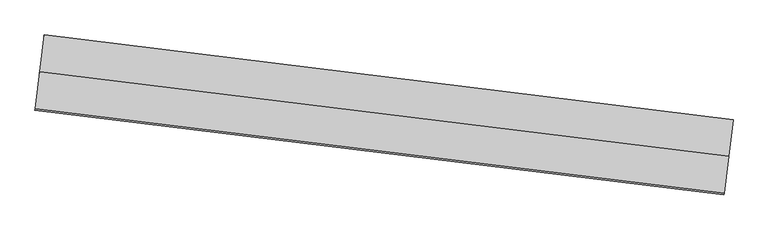
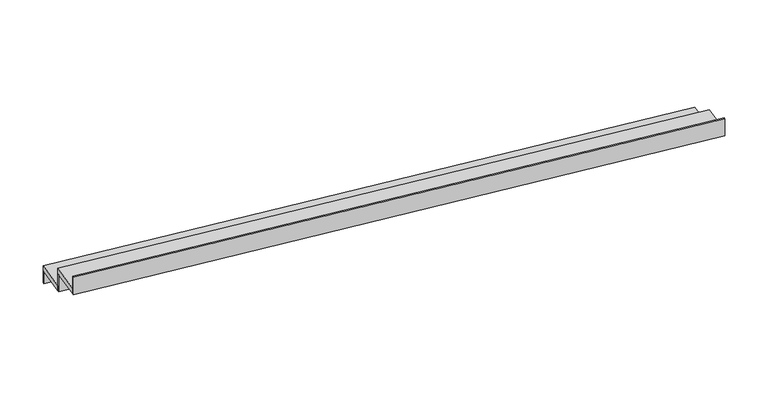
"""IFC4 building model written with IfcOpenShell, lengths in millimetres: stair flight geometry."""

from ifc_helpers import new_model, si_unit, frame, origin, place, context, project, spatial, polyline, outline, extrude, source, transform, mapped, element, save


def stair_flight_1fe82610(model_context):
    return source(origin(), model_context, "Body", "SweptSolid", [
        extrude(outline(polyline([(-17745.1253029, 37184.3500424), (-17743.6019361, 37196.7568693), (-12183.5715384, 36514.0709783), (-12185.0949052, 36501.6641514), (-17745.1253029, 37184.3500424)])), frame((0.0, 0.0, 3000.0), z_axis=(0.0, 0.0, 1.0), x_axis=(1.0, 0.0, 0.0)), (0.0, 0.0, 1.0), 116.6666667),
        extrude(outline(polyline([(-12220.1323414, 36216.3071328), (-17780.1627391, 36898.9930238), (-17743.6019361, 37196.7568693), (-12183.5715384, 36514.0709783), (-12220.1323414, 36216.3071328)])), frame((0.0, 0.0, 3116.6666667), z_axis=(0.0, 0.0, 1.0), x_axis=(1.0, 0.0, 0.0)), (0.0, 0.0, 1.0), 50.0),
        extrude(outline(polyline([(-17781.6861059, 36886.5861969), (-17780.1627391, 36898.9930238), (-12220.1323414, 36216.3071328), (-12221.6557082, 36203.9003059), (-17781.6861059, 36886.5861969)])), frame((0.0, 0.0, 3116.6666667), z_axis=(0.0, 0.0, 1.0), x_axis=(1.0, 0.0, 0.0)), (0.0, 0.0, 1.0), 166.6666667),
        extrude(outline(polyline([(-17818.246909, 36588.8223514), (-17816.7235422, 36601.2291783), (-12256.6931444, 35918.5432873), (-12258.2165112, 35906.1364604), (-17818.246909, 36588.8223514)])), frame((0.0, 0.0, 3283.3333333), z_axis=(0.0, 0.0, 1.0), x_axis=(1.0, 0.0, 0.0)), (0.0, 0.0, 1.0), 166.6666667),
        extrude(outline(polyline([(-12256.6931444, 35918.5432873), (-17816.7235422, 36601.2291783), (-17780.1627391, 36898.9930238), (-12220.1323414, 36216.3071328), (-12256.6931444, 35918.5432873)])), frame((0.0, 0.0, 3283.3333333), z_axis=(0.0, 0.0, 1.0), x_axis=(1.0, 0.0, 0.0)), (0.0, 0.0, 1.0), 50.0),
    ])


if __name__ == "__main__":
    model = new_model("IFC4")
    model_context = context("Model", 3, world=origin())
    ifc_project = project(units=[si_unit("LENGTHUNIT", "METRE", prefix="MILLI")], contexts=[model_context])
    site = spatial("IfcSite", under=ifc_project)
    building = spatial("IfcBuilding", under=site)
    placement = place(None, origin())
    stair_flight_shape = stair_flight_1fe82610(model_context)
    element("IfcStairFlight", 1, at=placement, inside=building, context=model_context, shape_type="MappedRepresentation", body=[
        mapped(stair_flight_shape, transform((0.0, 0.0, 0.0), x_axis=(1.0, 0.0, 0.0), y_axis=(0.0, 1.0, 0.0), z_axis=(0.0, 0.0, 1.0))),
    ])
    save(model, "model.ifc")
